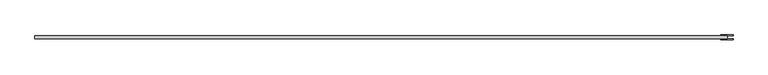
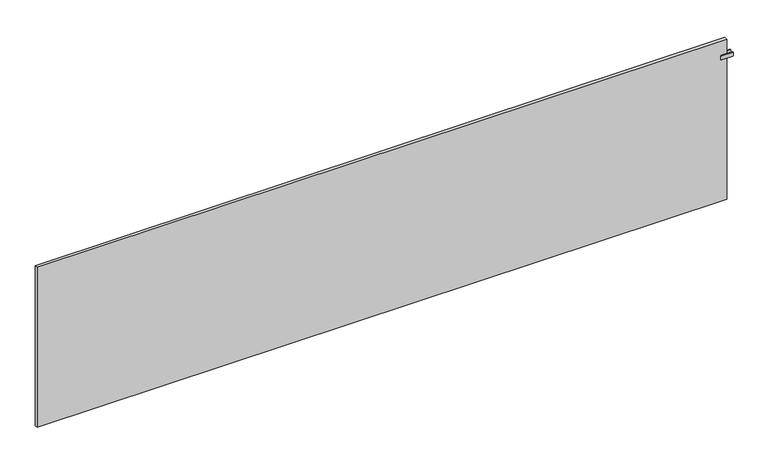
"""IFC4 building model written with IfcOpenShell, lengths in millimetres: plate geometry."""

from ifc_helpers import new_model, si_unit, point, frame, frame_2d, origin, origin_with_axes, place, context, project, spatial, polyline, circle_curve, trimmed, segment, composite_curve, outline, extrude, source, transform, mapped, element, save


def plate_c62e8701(model_context):
    return source(origin(), model_context, "Body", "SweptSolid", [
        extrude(outline(polyline([(1997.5, -8.75), (1992.5, -8.75), (1992.5, 8.75), (1997.5, 8.75), (1997.5, -8.75)])), frame((0.0, 0.0, 866.5), z_axis=(0.0, 0.0, 1.0), x_axis=(1.0, 0.0, 0.0)), (0.0, 0.0, 1.0), 25.0),
        extrude(outline(composite_curve([segment(polyline([(866.5, 1963.0), (866.5, 2027.0)]), True, "CONTINUOUS"), segment(trimmed(circle_curve(frame_2d((869.5, 2027.0)), 3.0), [point((866.5, 2027.0))], [point((869.5, 2030.0))], False, "CARTESIAN"), True, "CONTINUOUS"), segment(polyline([(869.5, 2030.0), (888.5, 2030.0)]), True, "CONTINUOUS"), segment(trimmed(circle_curve(frame_2d((888.5, 2027.0)), 3.0), [point((888.5, 2030.0))], [point((891.5, 2027.0))], False, "CARTESIAN"), True, "CONTINUOUS"), segment(polyline([(891.5, 2027.0), (891.5, 1963.0)]), True, "CONTINUOUS"), segment(trimmed(circle_curve(frame_2d((888.5, 1963.0)), 3.0), [point((891.5, 1963.0))], [point((888.5, 1960.0))], False, "CARTESIAN"), True, "CONTINUOUS"), segment(polyline([(888.5, 1960.0), (869.5, 1960.0)]), True, "CONTINUOUS"), segment(trimmed(circle_curve(frame_2d((869.5, 1963.0)), 3.0), [point((869.5, 1960.0))], [point((866.5, 1963.0))], False, "CARTESIAN"), True, "CONTINUOUS")], self_intersect=False)), frame((0.0, 8.75, 0.0), z_axis=(0.0, 1.0, 0.0), x_axis=(0.0, 0.0, 1.0)), (0.0, 0.0, 1.0), 5.0),
        extrude(outline(composite_curve([segment(polyline([(866.5, 1963.0), (866.5, 2027.0)]), True, "CONTINUOUS"), segment(trimmed(circle_curve(frame_2d((869.5, 2027.0)), 3.0), [point((866.5, 2027.0))], [point((869.5, 2030.0))], False, "CARTESIAN"), True, "CONTINUOUS"), segment(polyline([(869.5, 2030.0), (888.5, 2030.0)]), True, "CONTINUOUS"), segment(trimmed(circle_curve(frame_2d((888.5, 2027.0)), 3.0), [point((888.5, 2030.0))], [point((891.5, 2027.0))], False, "CARTESIAN"), True, "CONTINUOUS"), segment(polyline([(891.5, 2027.0), (891.5, 1963.0)]), True, "CONTINUOUS"), segment(trimmed(circle_curve(frame_2d((888.5, 1963.0)), 3.0), [point((891.5, 1963.0))], [point((888.5, 1960.0))], False, "CARTESIAN"), True, "CONTINUOUS"), segment(polyline([(888.5, 1960.0), (869.5, 1960.0)]), True, "CONTINUOUS"), segment(trimmed(circle_curve(frame_2d((869.5, 1963.0)), 3.0), [point((869.5, 1960.0))], [point((866.5, 1963.0))], False, "CARTESIAN"), True, "CONTINUOUS")], self_intersect=False)), frame((0.0, -13.75, 0.0), z_axis=(0.0, 1.0, 0.0), x_axis=(0.0, 0.0, 1.0)), (0.0, 0.0, 1.0), 5.0),
        extrude(outline(polyline([(1995.0, 8.75), (1995.0, -8.75), (-1995.0, -8.75), (-1995.0, 8.75), (1995.0, 8.75)])), origin_with_axes(), (0.0, 0.0, 1.0), 979.0),
    ])


if __name__ == "__main__":
    model = new_model("IFC4")
    model_context = context("Model", 3, world=origin())
    ifc_project = project(units=[si_unit("LENGTHUNIT", "METRE", prefix="MILLI")], contexts=[model_context])
    site = spatial("IfcSite", under=ifc_project)
    building = spatial("IfcBuilding", under=site)
    placement = place(None, origin())
    plate_shape = plate_c62e8701(model_context)
    element("IfcPlate", 1, at=placement, inside=building, context=model_context, shape_type="MappedRepresentation", body=[
        mapped(plate_shape, transform((0.0, 0.0, 0.0), x_axis=(1.0, 0.0, 0.0), y_axis=(0.0, 1.0, 0.0), z_axis=(0.0, 0.0, 1.0))),
    ])
    save(model, "model.ifc")
